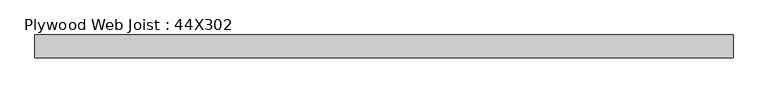
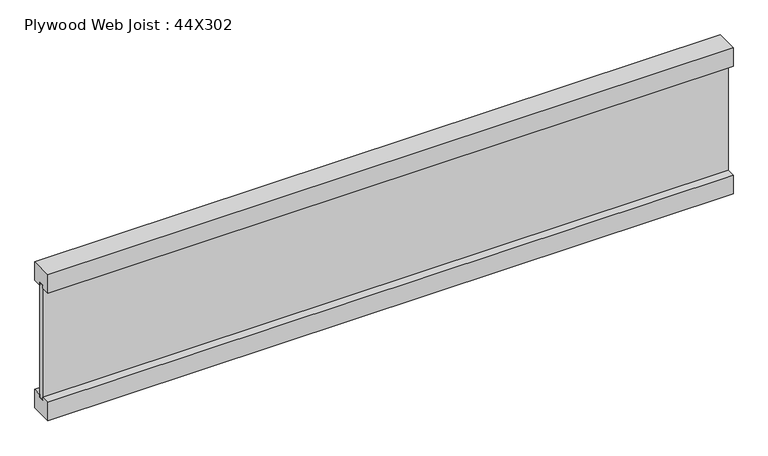
"""IFC4 building model written with IfcOpenShell, lengths in millimetres: beam geometry, Plywood Web Joist : 44X302."""

from ifc_helpers import new_model, si_unit, frame, origin, place, context, project, spatial, polyline, outline, extrude, source, transform, mapped, element, save


def plywood_web_joist_44x302_c683402a(model_context):
    return source(origin(), model_context, "Body", "SweptSolid", [
        extrude(outline(polyline([(-22.0, 151.0), (22.0, 151.0), (22.0, 112.9), (4.7625, 112.9), (4.7625, 119.25), (-4.7625, 119.25), (-4.7625, 112.9), (-22.0, 112.9), (-22.0, 151.0)])), frame((-670.0, 0.0, 0.0), z_axis=(1.0, 0.0, 0.0), x_axis=(0.0, 1.0, 0.0)), (0.0, 0.0, 1.0), 1340.0),
        extrude(outline(polyline([(22.0, -112.9), (22.0, -151.0), (-22.0, -151.0), (-22.0, -112.9), (-4.7625, -112.9), (-4.7625, -118.5160374), (4.7625, -118.5160374), (4.7625, -112.9), (22.0, -112.9)])), frame((-670.0, 0.0, 0.0), z_axis=(1.0, 0.0, 0.0), x_axis=(0.0, 1.0, 0.0)), (0.0, 0.0, 1.0), 1340.0),
        extrude(outline(polyline([(670.0, 4.7625), (670.0, -4.7625), (-670.0, -4.7625), (-670.0, 4.7625), (670.0, 4.7625)])), frame((0.0, 0.0, -118.5160374), z_axis=(0.0, 0.0, 1.0), x_axis=(1.0, 0.0, 0.0)), (0.0, 0.0, 1.0), 237.7660374),
    ])


if __name__ == "__main__":
    model = new_model("IFC4")
    model_context = context("Model", 3, world=origin())
    ifc_project = project(units=[si_unit("LENGTHUNIT", "METRE", prefix="MILLI")], contexts=[model_context])
    site = spatial("IfcSite", under=ifc_project)
    building = spatial("IfcBuilding", under=site)
    placement = place(None, origin())
    plywood_web_joist_44x302_shape = plywood_web_joist_44x302_c683402a(model_context)
    element("IfcBeam", 1, ObjectType="Plywood Web Joist : 44X302", at=placement, inside=building, context=model_context, shape_type="MappedRepresentation", body=[
        mapped(plywood_web_joist_44x302_shape, transform((0.0, 0.0, 0.0), x_axis=(1.0, 0.0, 0.0), y_axis=(0.0, 1.0, 0.0), z_axis=(0.0, 0.0, 1.0))),
    ])
    save(model, "model.ifc")
